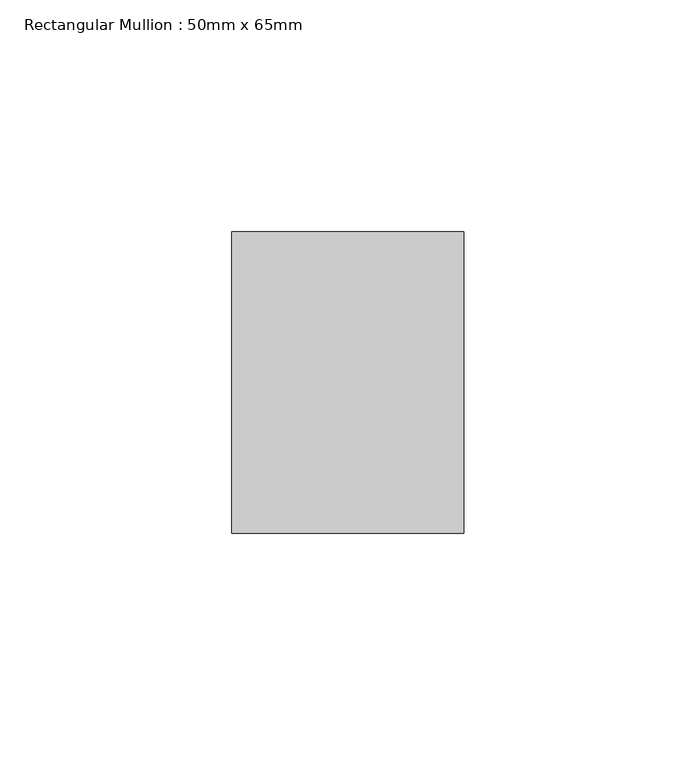
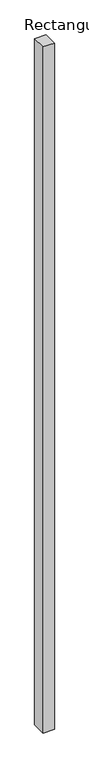
"""IFC4 building model written with IfcOpenShell, lengths in millimetres: member geometry, Rectangular Mullion : 50mm x 65mm."""

from ifc_helpers import new_model, si_unit, frame, origin, place, context, project, spatial, polyline, outline, extrude, source, transform, mapped, element, save


def rectangular_mullion_50mm_x_65mm_89085b52(model_context):
    return source(origin(), model_context, "Body", "SweptSolid", [
        extrude(outline(polyline([(25.0, 32.5), (25.0, -32.5), (-25.0, -32.5), (-25.0, 32.5), (25.0, 32.5)])), frame((0.0, 0.0, -3235.2680767), z_axis=(0.0, 0.0, 1.0), x_axis=(1.0, 0.0, 0.0)), (0.0, 0.0, 1.0), 3235.2680767),
    ])


if __name__ == "__main__":
    model = new_model("IFC4")
    model_context = context("Model", 3, world=origin())
    ifc_project = project(units=[si_unit("LENGTHUNIT", "METRE", prefix="MILLI")], contexts=[model_context])
    site = spatial("IfcSite", under=ifc_project)
    building = spatial("IfcBuilding", under=site)
    placement = place(None, origin())
    rectangular_mullion_50mm_x_65mm_shape = rectangular_mullion_50mm_x_65mm_89085b52(model_context)
    element("IfcMember", 1, ObjectType="Rectangular Mullion : 50mm x 65mm", at=placement, inside=building, context=model_context, shape_type="MappedRepresentation", body=[
        mapped(rectangular_mullion_50mm_x_65mm_shape, transform((0.0, 0.0, 0.0), x_axis=(1.0, 0.0, 0.0), y_axis=(0.0, 1.0, 0.0), z_axis=(0.0, 0.0, 1.0))),
    ])
    save(model, "model.ifc")
